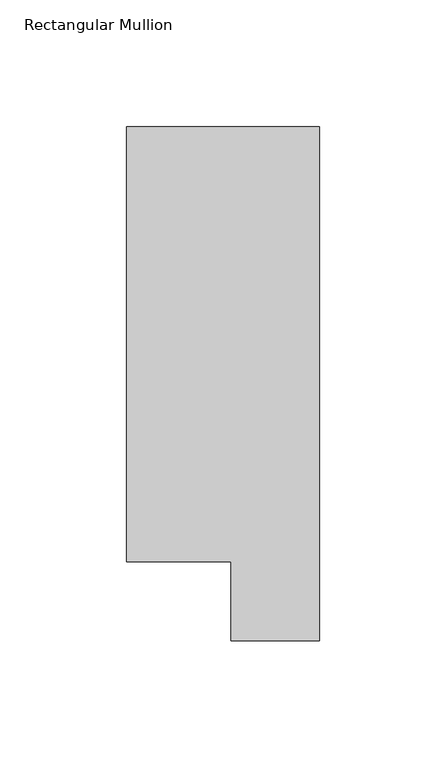
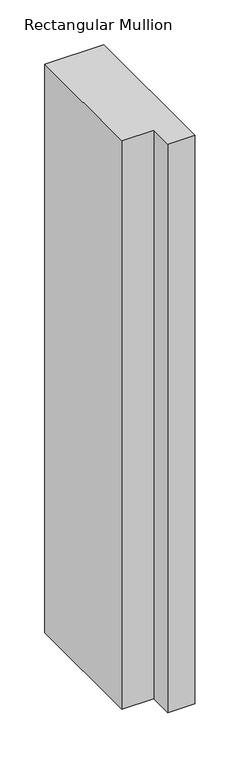
"""IFC4 building model written with IfcOpenShell, lengths in millimetres: member geometry, Rectangular Mullion."""

from ifc_helpers import new_model, si_unit, frame, origin, place, context, project, spatial, polyline, outline, extrude, source, transform, mapped, element, save


def rectangular_mullion_2d4386ac(model_context):
    return source(origin(), model_context, "Body", "SweptSolid", [
        extrude(outline(polyline([(0.0, 222.5381312), (0.0, 19.5667313), (-34.9123, 19.5667313), (-34.9123, 50.820278), (-76.2, 50.820278), (-76.2, 222.5381312), (0.0, 222.5381312)])), frame((0.0, 0.0, -774.6999999), z_axis=(0.0, 0.0, 1.0), x_axis=(1.0, 0.0, 0.0)), (0.0, 0.0, 1.0), 774.6999999),
    ])


if __name__ == "__main__":
    model = new_model("IFC4")
    model_context = context("Model", 3, world=origin())
    ifc_project = project(units=[si_unit("LENGTHUNIT", "METRE", prefix="MILLI")], contexts=[model_context])
    site = spatial("IfcSite", under=ifc_project)
    building = spatial("IfcBuilding", under=site)
    placement = place(None, origin())
    rectangular_mullion_shape = rectangular_mullion_2d4386ac(model_context)
    element("IfcMember", 1, ObjectType="Rectangular Mullion", at=placement, inside=building, context=model_context, shape_type="MappedRepresentation", body=[
        mapped(rectangular_mullion_shape, transform((0.0, 0.0, 0.0), x_axis=(1.0, 0.0, 0.0), y_axis=(0.0, 1.0, 0.0), z_axis=(0.0, 0.0, 1.0))),
    ])
    save(model, "model.ifc")
